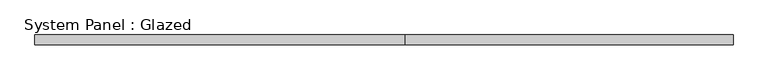
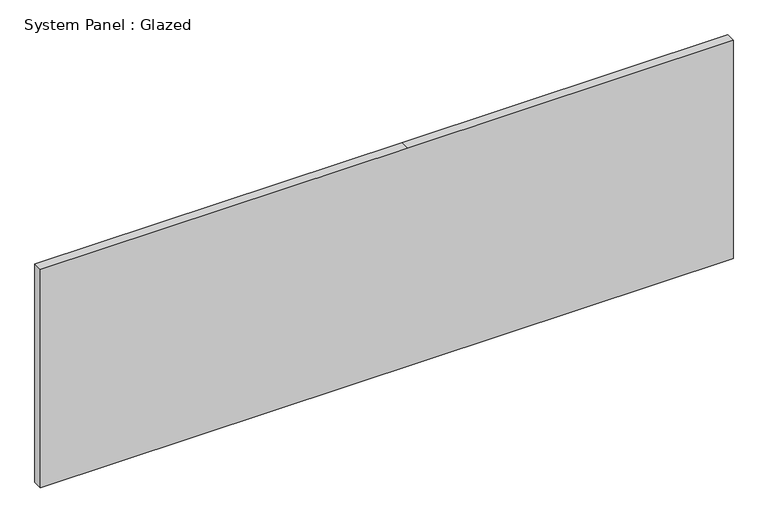
"""IFC4 building model written with IfcOpenShell, lengths in millimetres: plate geometry, System Panel : Glazed."""

from ifc_helpers import new_model, si_unit, frame, origin, place, context, project, spatial, polyline, outline, extrude, source, transform, mapped, element, save


def system_panel_glazed_2284f9b9(model_context):
    return source(origin(), model_context, "Body", "SweptSolid", [
        extrude(outline(polyline([(0.0, -914.4), (0.0, 914.4), (609.6, 914.4), (609.6, 55.8875201), (609.6, -914.4), (0.0, -914.4)])), frame((0.0, 19.05, 0.0), z_axis=(0.0, 1.0, 0.0), x_axis=(0.0, 0.0, 1.0)), (0.0, 0.0, 1.0), 25.4),
    ])


if __name__ == "__main__":
    model = new_model("IFC4")
    model_context = context("Model", 3, world=origin())
    ifc_project = project(units=[si_unit("LENGTHUNIT", "METRE", prefix="MILLI")], contexts=[model_context])
    site = spatial("IfcSite", under=ifc_project)
    building = spatial("IfcBuilding", under=site)
    placement = place(None, origin())
    system_panel_glazed_shape = system_panel_glazed_2284f9b9(model_context)
    element("IfcPlate", 1, ObjectType="System Panel : Glazed", at=placement, inside=building, context=model_context, shape_type="MappedRepresentation", body=[
        mapped(system_panel_glazed_shape, transform((0.0, 0.0, 0.0), x_axis=(1.0, 0.0, 0.0), y_axis=(0.0, 1.0, 0.0), z_axis=(0.0, 0.0, 1.0))),
    ])
    save(model, "model.ifc")
